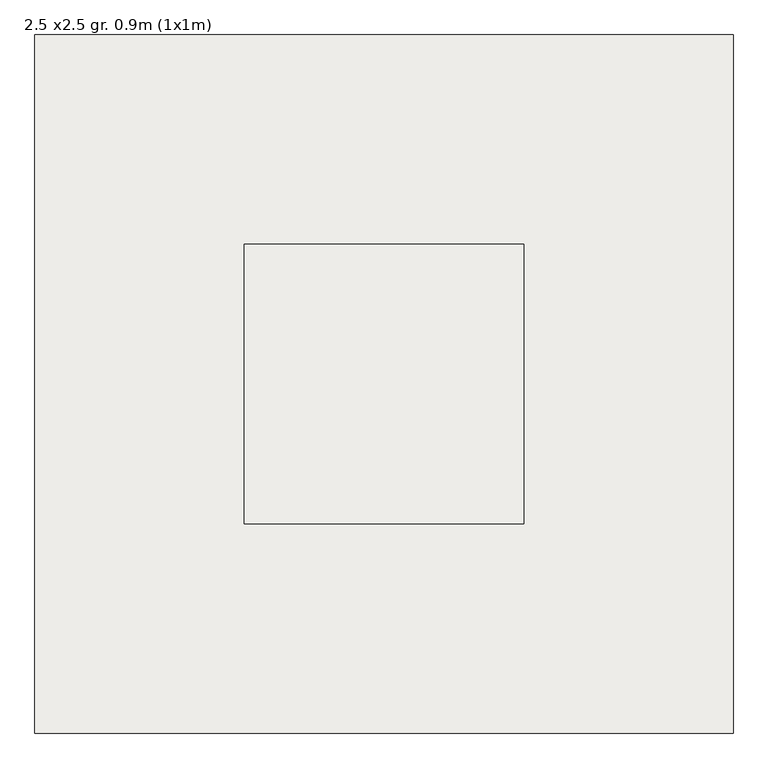
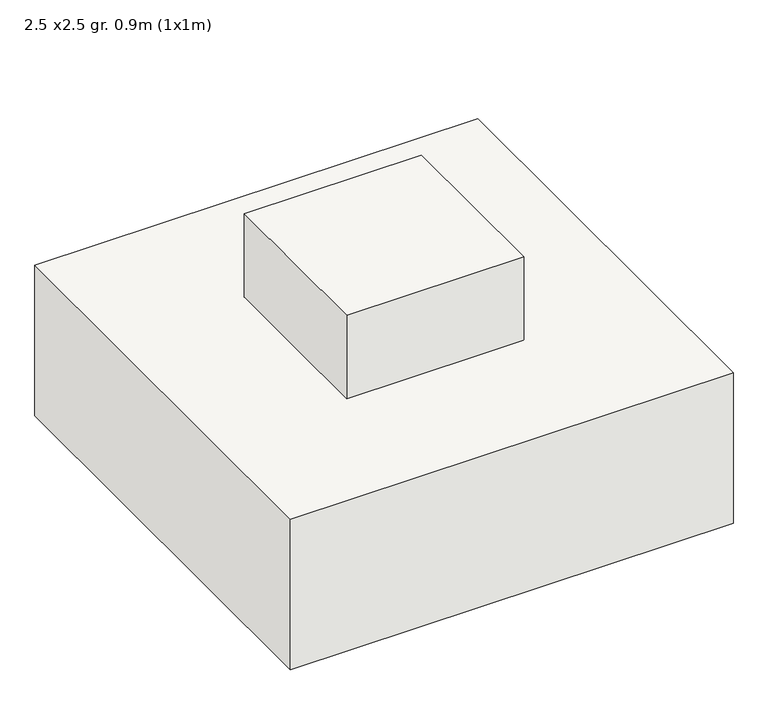
"""IFC4 building model written with IfcOpenShell, lengths in millimetres: slab geometry, 2.5 x2.5 gr. 0.9m (1x1m)."""

from ifc_helpers import new_model, si_unit, frame, origin, origin_with_axes, place, context, project, spatial, polyline, outline, extrude, source, transform, mapped, element, save


def slab_2_5_x2_5_gr_0_9m_1x1m_733a4e67(model_context):
    return source(origin(), model_context, "Body", "SweptSolid", [
        extrude(outline(polyline([(1250.0, 1250.0), (1250.0, -1250.0), (-1250.0, -1250.0), (-1250.0, 1250.0), (1250.0, 1250.0)])), frame((0.0, 0.0, -900.0), z_axis=(0.0, 0.0, 1.0), x_axis=(1.0, 0.0, 0.0)), (0.0, 0.0, 1.0), 900.0),
        extrude(outline(polyline([(500.0, 500.0), (500.0, -500.0), (-500.0, -500.0), (-500.0, 500.0), (500.0, 500.0)])), origin_with_axes(), (0.0, 0.0, 1.0), 500.0),
    ])


if __name__ == "__main__":
    model = new_model("IFC4")
    model_context = context("Model", 3, world=origin())
    ifc_project = project(units=[si_unit("LENGTHUNIT", "METRE", prefix="MILLI")], contexts=[model_context])
    site = spatial("IfcSite", under=ifc_project)
    building = spatial("IfcBuilding", under=site)
    placement = place(None, origin())
    slab_2_5_x2_5_gr_0_9m_1x1m_shape = slab_2_5_x2_5_gr_0_9m_1x1m_733a4e67(model_context)
    element("IfcSlab", 1, ObjectType="2.5 x2.5 gr. 0.9m (1x1m)", at=placement, inside=building, context=model_context, shape_type="MappedRepresentation", body=[
        mapped(slab_2_5_x2_5_gr_0_9m_1x1m_shape, transform((0.0, 0.0, 0.0), x_axis=(1.0, 0.0, 0.0), y_axis=(0.0, 1.0, 0.0), z_axis=(0.0, 0.0, 1.0))),
    ])
    save(model, "model.ifc")
